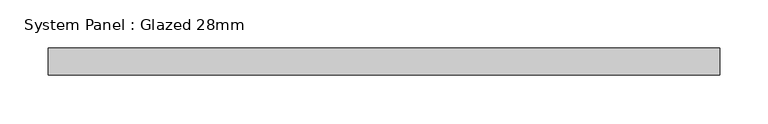
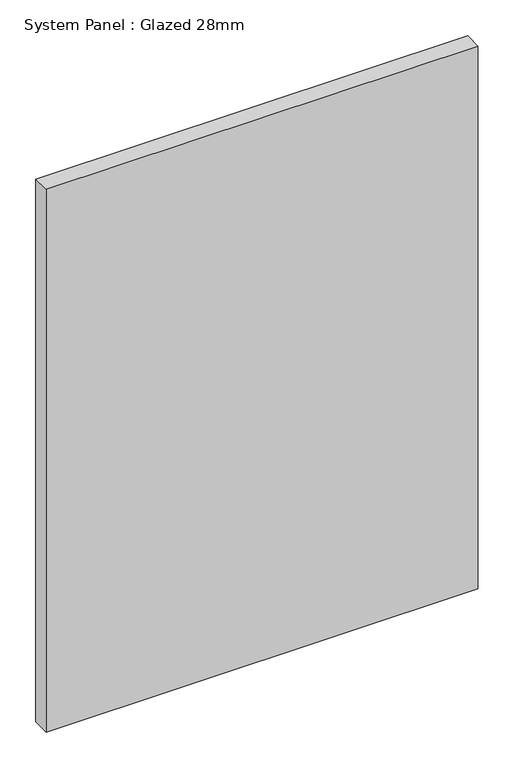
"""IFC4 building model written with IfcOpenShell, lengths in millimetres: plate geometry, System Panel : Glazed 28mm."""

from ifc_helpers import new_model, si_unit, origin, origin_with_axes, place, context, project, spatial, polyline, outline, extrude, source, transform, mapped, element, save


def system_panel_glazed_28mm_d236b738(model_context):
    return source(origin(), model_context, "Body", "SweptSolid", [
        extrude(outline(polyline([(346.7808019, -14.0), (-346.7808019, -14.0), (-346.7808019, 14.0), (346.7808019, 14.0), (346.7808019, -14.0)])), origin_with_axes(), (0.0, 0.0, 1.0), 920.6652188),
    ])


if __name__ == "__main__":
    model = new_model("IFC4")
    model_context = context("Model", 3, world=origin())
    ifc_project = project(units=[si_unit("LENGTHUNIT", "METRE", prefix="MILLI")], contexts=[model_context])
    site = spatial("IfcSite", under=ifc_project)
    building = spatial("IfcBuilding", under=site)
    placement = place(None, origin())
    system_panel_glazed_28mm_shape = system_panel_glazed_28mm_d236b738(model_context)
    element("IfcPlate", 1, ObjectType="System Panel : Glazed 28mm", at=placement, inside=building, context=model_context, shape_type="MappedRepresentation", body=[
        mapped(system_panel_glazed_28mm_shape, transform((0.0, 0.0, 0.0), x_axis=(1.0, 0.0, 0.0), y_axis=(0.0, 1.0, 0.0), z_axis=(0.0, 0.0, 1.0))),
    ])
    save(model, "model.ifc")
